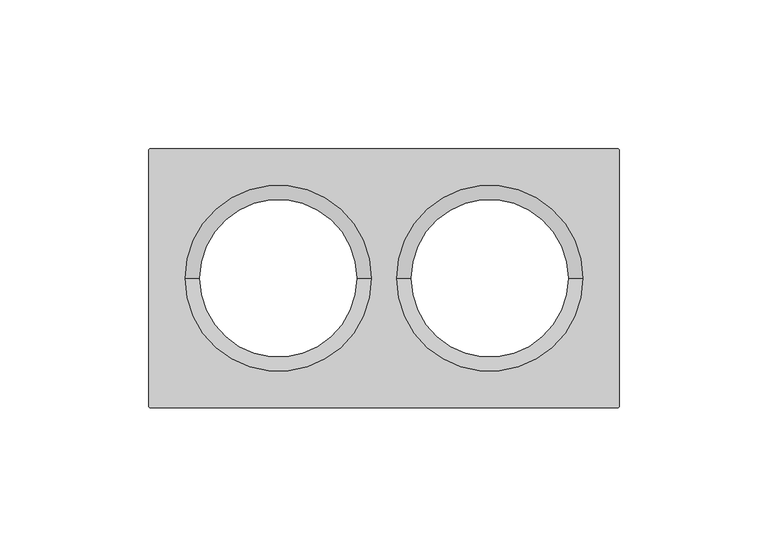
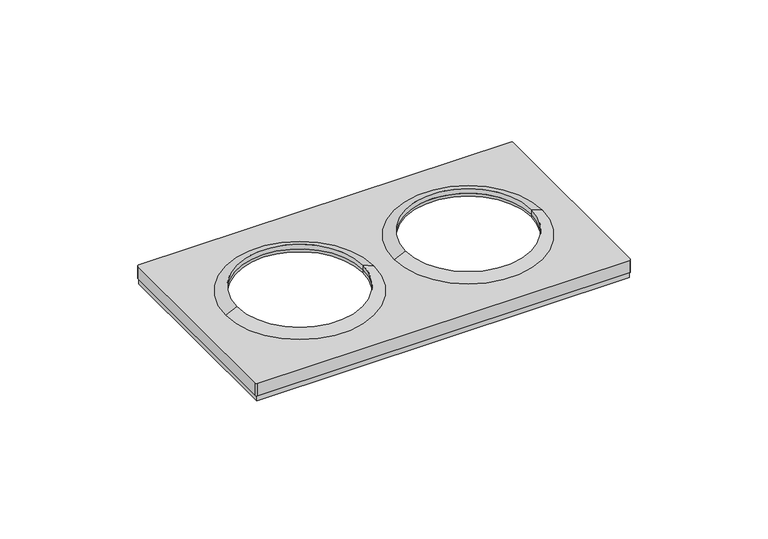
"""IFC4 building model written with IfcOpenShell, lengths in millimetres: proxy geometry."""

import ifcopenshell
import ifcopenshell.guid

model = None  # the IFC model being written
_history = None  # IfcOwnerHistory: only IFC2X3 demands one
_inside = {}  # id of a spatial element -> (the spatial element, [elements in it])
_under = {}  # id of a project, library or spatial element -> (it, [spatial elements below it])
_declared = {}  # id of a project -> (the project, [libraries it declares])
_typed = {}  # id of a type object -> (the type object, [elements of that type])
_made_of = {}  # id of a material, layer set ... -> (it, [elements and type objects made of it])


def new_model(schema):
    """Start an empty IFC model of exactly this schema.

    Asked for "IFC4X3", IfcOpenShell would pick the latest addendum, in which some entities
    have other attributes; the version numbers below select the first issue.
    IFC2X3 requires an IfcOwnerHistory on every rooted entity: one is made here for all.
    """
    global model, _history
    if schema == "IFC4X3":
        model = ifcopenshell.file(schema_version=(4, 3, 0, 0))
    else:
        model = ifcopenshell.file(schema=schema)
    _inside.clear()
    _under.clear()
    _declared.clear()
    _typed.clear()
    _made_of.clear()
    _history = None
    if model.schema == "IFC2X3":
        org = make("IfcOrganization", Name="unknown")
        user = make(
            "IfcPersonAndOrganization",
            ThePerson=make("IfcPerson", FamilyName="unknown"),
            TheOrganization=org,
        )
        app = make(
            "IfcApplication",
            ApplicationDeveloper=org,
            Version="unknown",
            ApplicationFullName="unknown",
            ApplicationIdentifier="unknown",
        )
        _history = make(
            "IfcOwnerHistory",
            OwningUser=user,
            OwningApplication=app,
            ChangeAction="ADDED",
            CreationDate=0,
        )
    return model


def make(cls, **values):
    """One entity of the class cls with the attributes given. An attribute that is None is left unset."""
    return model.create_entity(
        cls, **{name: value for name, value in values.items() if value is not None}
    )


def rooted(cls, **values):
    """An entity with a GlobalId (a new one), such as an element, a storey or a relation."""
    return make(cls, GlobalId=ifcopenshell.guid.new(), OwnerHistory=_history, **values)


def si_unit(unit_type, name, prefix=None):
    """IfcSIUnit, for example si_unit("LENGTHUNIT", "METRE", prefix="MILLI")."""
    return make("IfcSIUnit", UnitType=unit_type, Prefix=prefix, Name=name)


def assignment(units):
    """IfcUnitAssignment: the units of a project."""
    return None if units is None else make("IfcUnitAssignment", Units=units)


def point(xyz):
    """IfcCartesianPoint."""
    return None if xyz is None else make("IfcCartesianPoint", Coordinates=xyz)


def direction(xyz):
    """IfcDirection."""
    return None if xyz is None else make("IfcDirection", DirectionRatios=xyz)


def frame(location, z_axis=None, x_axis=None):
    """IfcAxis2Placement3D, a coordinate frame: its origin and axes. An axis left out is left unset."""
    return make(
        "IfcAxis2Placement3D",
        Location=point(location),
        Axis=direction(z_axis),
        RefDirection=direction(x_axis),
    )


def origin():
    """The frame at (0, 0, 0) with its axes left unset."""
    return frame((0.0, 0.0, 0.0))


def place(relative_to, where):
    """IfcLocalPlacement: puts the frame where relative to a parent placement (None: the world)."""
    return make(
        "IfcLocalPlacement", PlacementRelTo=relative_to, RelativePlacement=where
    )


def context(
    kind, dimensions, precision=None, world=None, true_north=None, identifier=None
):
    """IfcGeometricRepresentationContext, for example the 3D "Model" context."""
    return make(
        "IfcGeometricRepresentationContext",
        ContextIdentifier=identifier,
        ContextType=kind,
        CoordinateSpaceDimension=dimensions,
        Precision=precision,
        WorldCoordinateSystem=world,
        TrueNorth=true_north,
    )


def project(units=None, contexts=None):
    """IfcProject with its units and contexts."""
    return rooted(
        "IfcProject",
        Name="project",
        RepresentationContexts=contexts,
        UnitsInContext=assignment(units),
    )


def spatial(cls, under=None, at=None, **own):
    """A site, building, storey or space (cls), placed at a placement, below another one or the project."""
    s = rooted(cls, ObjectPlacement=at, **own)
    if under is not None:
        _under.setdefault(under.id(), (under, []))[1].append(s)
    return s


def polyline(points):
    """IfcPolyline through the points."""
    return make("IfcPolyline", Points=[point(p) for p in points])


def circle_curve(where, radius):
    """IfcCircle in the frame where."""
    return make("IfcCircle", Position=where, Radius=radius)


def shape(context_of_items, identifier, shape_type, items):
    """IfcShapeRepresentation: the items that make up one representation, for example the "Body"."""
    return make(
        "IfcShapeRepresentation",
        ContextOfItems=context_of_items,
        RepresentationIdentifier=identifier,
        RepresentationType=shape_type,
        Items=items,
    )


def source(mapping_origin, context_of_items, identifier, shape_type, items):
    """IfcRepresentationMap: a shape defined once, which mapped items show again and again."""
    return make(
        "IfcRepresentationMap",
        MappingOrigin=mapping_origin,
        MappedRepresentation=shape(context_of_items, identifier, shape_type, items),
    )


def transform(
    local_origin,
    x_axis=None,
    y_axis=None,
    z_axis=None,
    scale=None,
    scale2=None,
    scale3=None,
    uniform=True,
):
    """IfcCartesianTransformationOperator3D, or its non-uniform kind. x_axis, y_axis, z_axis: its Axis1, 2, 3."""
    if uniform:
        return make(
            "IfcCartesianTransformationOperator3D",
            Axis1=direction(x_axis),
            Axis2=direction(y_axis),
            LocalOrigin=point(local_origin),
            Scale=scale,
            Axis3=direction(z_axis),
        )
    return make(
        "IfcCartesianTransformationOperator3DnonUniform",
        Axis1=direction(x_axis),
        Axis2=direction(y_axis),
        LocalOrigin=point(local_origin),
        Scale=scale,
        Axis3=direction(z_axis),
        Scale2=scale2,
        Scale3=scale3,
    )


def mapped(mapping_source, mapping_target):
    """IfcMappedItem: shows the shape of a source again, moved by a transform."""
    return make(
        "IfcMappedItem", MappingSource=mapping_source, MappingTarget=mapping_target
    )


def made_of(thing, what):
    """Note that an element or type object is made of a material, layer set ...; save() writes the relation."""
    if what is not None:
        _made_of.setdefault(what.id(), (what, []))[1].append(thing)
    return thing


def element(
    cls,
    number,
    at=None,
    inside=None,
    cuts=None,
    type_object=None,
    material=None,
    context=None,
    identifier="Body",
    shape_type=None,
    held_by="IfcProductDefinitionShape",
    body=None,
    shapes=None,
    **own,
):
    """One element of the class cls, such as IfcWall. Its Tag is "e" and its number.

    at: its placement. inside: the storey or other place that contains it. cuts: it is an
    opening in that element (IfcRelVoidsElement). A single representation is given by context,
    identifier, shape_type and body (its items); several are given by shapes. held_by: the class
    of the entity that holds the representations. save() writes the other relations.
    """
    e = rooted(cls, Tag="e%d" % number, ObjectPlacement=at, **own)
    if body is not None:
        shapes = [shape(context, identifier, shape_type, body)]
    if shapes is not None:
        e.Representation = make(held_by, Representations=shapes)
    if inside is not None:
        _inside.setdefault(inside.id(), (inside, []))[1].append(e)
    if cuts is not None:
        rooted(
            "IfcRelVoidsElement", RelatingBuildingElement=cuts, RelatedOpeningElement=e
        )
    if type_object is not None:
        _typed.setdefault(type_object.id(), (type_object, []))[1].append(e)
    return made_of(e, material)


def aggregate(whole, parts):
    """IfcRelAggregates: a whole, such as a stair, and the parts it consists of."""
    return rooted("IfcRelAggregates", RelatingObject=whole, RelatedObjects=parts)


def save(model, path):
    """Write the relations noted so far, then the file.

    IfcRelAggregates (storeys below a building ...), IfcRelContainedInSpatialStructure (elements
    in a storey), IfcRelDefinesByType, IfcRelAssociatesMaterial and IfcRelDeclares: one each for
    every whole, place, type object, material and project.
    """
    for whole, parts in _under.values():
        aggregate(whole, parts)
    for where, things in _inside.values():
        rooted(
            "IfcRelContainedInSpatialStructure",
            RelatedElements=things,
            RelatingStructure=where,
        )
    for kind, things in _typed.values():
        rooted("IfcRelDefinesByType", RelatedObjects=things, RelatingType=kind)
    for what, things in _made_of.values():
        rooted("IfcRelAssociatesMaterial", RelatedObjects=things, RelatingMaterial=what)
    for by, libraries in _declared.values():
        rooted("IfcRelDeclares", RelatingContext=by, RelatedDefinitions=libraries)
    model.write(path)


def plane_surface(at):
    """IfcPlane: the flat surface through the origin of the frame at, square to its z axis."""
    return make("IfcPlane", Position=at)


def cylinder_surface(at, radius):
    """IfcCylindricalSurface: all points at the distance radius from the z axis of the frame at."""
    return make("IfcCylindricalSurface", Position=at, Radius=radius)


def revolved_surface(curve, axis_point, axis_direction):
    """IfcSurfaceOfRevolution: the curve turned about the line through axis_point along axis_direction."""
    return make(
        "IfcSurfaceOfRevolution",
        SweptCurve=make("IfcArbitraryOpenProfileDef", ProfileType="CURVE", Curve=curve),
        AxisPosition=make("IfcAxis1Placement", Location=point(axis_point), Axis=direction(axis_direction)),
    )


def advanced_brep(points, edges, surfaces, faces):
    """IfcAdvancedBrep: a solid bounded by faces that lie on surfaces and meet in shared edges.

    An edge is (start, end): straight between two places in points (the first is 0);
    or (start, end, curve); or (start, end, curve, False) where it runs against its curve.
    A face is (place in surfaces, loops), or (place, loops, False) where it looks against
    its surface's normal. A loop lists edges by number (the first is 1), with a minus sign
    where the edge is run from its end to its start. The first loop is the outer one.
    """
    corners = [point(p) for p in points]
    vertices = [make("IfcVertexPoint", VertexGeometry=c) for c in corners]
    made = []
    for start, end, *more in edges:
        made.append(
            make(
                "IfcEdgeCurve",
                EdgeStart=vertices[start],
                EdgeEnd=vertices[end],
                EdgeGeometry=more[0] if more else make("IfcPolyline", Points=[corners[start], corners[end]]),
                SameSense=more[1] if len(more) > 1 else True,
            )
        )
    hull = []
    for where, loops, *sense in faces:
        bounds = []
        for j, loop in enumerate(loops):
            ring = [make("IfcOrientedEdge", EdgeElement=made[abs(k) - 1], Orientation=k > 0) for k in loop]
            bounds.append(
                make(
                    "IfcFaceOuterBound" if j == 0 else "IfcFaceBound",
                    Bound=make("IfcEdgeLoop", EdgeList=ring),
                    Orientation=True,
                )
            )
        hull.append(make("IfcAdvancedFace", Bounds=bounds, FaceSurface=surfaces[where], SameSense=sense[0] if sense else True))
    return make("IfcAdvancedBrep", Outer=make("IfcClosedShell", CfsFaces=hull))


def electrical_fixtures_2ba08079(model_context):
    return source(origin(), model_context, "Body", "AdvancedBrep", [
        advanced_brep(
        [(66.7841563, 0.0, 8.0076008), (4.2158437, 0.0, 8.0076008), (9.0, 0.0, 10.1), (62.0, 0.0, 10.1), (62.0, 0.0, 8.0076008), (9.0, 0.0, 8.0076008)],
        [
            (0, 1, circle_curve(frame((35.5, 0.0, 8.0076008), z_axis=(0.0, 0.0, 1.0), x_axis=(-1.0, 0.0, 0.0)), 31.2841563)),
            (1, 2),
            (2, 3, circle_curve(frame((35.5, 0.0, 10.1), z_axis=(0.0, 0.0, -1.0), x_axis=(-1.0, 0.0, 0.0)), 26.5)),
            (3, 0),
            (1, 0, circle_curve(frame((35.5, 0.0, 8.0076008), z_axis=(0.0, 0.0, 1.0), x_axis=(-1.0, 0.0, 0.0)), 31.2841563)),
            (3, 2, circle_curve(frame((35.5, 0.0, 10.1), z_axis=(0.0, 0.0, -1.0), x_axis=(-1.0, 0.0, 0.0)), 26.5)),
            (4, 5, circle_curve(frame((35.5, 0.0, 8.0076008), z_axis=(0.0, 0.0, 1.0), x_axis=(-1.0, 0.0, 0.0)), 26.5)),
            (5, 1),
            (0, 4),
            (5, 4, circle_curve(frame((35.5, 0.0, 8.0076008), z_axis=(0.0, 0.0, 1.0), x_axis=(-1.0, 0.0, 0.0)), 26.5)),
            (2, 5),
            (4, 3),
        ],
        [
            revolved_surface(polyline([(9.0, 0.0, 10.1), (4.2158437, 0.0, 8.0076008)]), (35.5, 0.0, 2609.0581012), (0.0, 0.0, -1.0)),
            plane_surface(frame((35.5, 0.0, 8.0076008), z_axis=(0.0, 0.0, -1.0), x_axis=(-1.0, 0.0, 0.0))),
            revolved_surface(polyline([(9.0, 0.0, 8.007600800000091), (9.0, 0.0, 10.099999999999909)]), (35.5, 0.0, 2609.0581012), (0.0, 0.0, -1.0)),
        ],
        [
            (0, [[1, 2, 3, 4]]),
            (0, [[5, -4, 6, -2]]),
            (1, [[7, 8, -1, 9]]),
            (1, [[10, -9, -5, -8]]),
            (2, [[-3, 11, -7, 12]]),
            (2, [[-6, -12, -10, -11]]),
        ],
    ),
        advanced_brep(
        [(-78.5, -43.0, 0.0), (-78.5, 43.0, 0.0), (78.5, 43.0, 0.0), (78.5, -43.0, 0.0), (-78.0, -42.5, 0.0), (78.0, -42.5, 0.0), (78.0, 42.5, 0.0), (-78.0, 42.5, 0.0), (78.5, -43.0, 2.5), (-78.5, -43.0, 2.5), (78.5, 43.0, 2.5), (-78.5, 43.0, 2.5), (-9.0, 0.0, 6.7956384), (-9.0, 0.0, 8.0076008), (-62.0, 0.0, 8.0076008), (-62.0, 0.0, 6.7956384), (-79.0, -42.9369707, 8.0076008), (-78.4369707, -43.5, 8.0076008), (78.4369707, -43.5, 8.0076008), (79.0, -42.9369707, 8.0076008), (79.0, 42.9369707, 8.0076008), (78.4369707, 43.5, 8.0076008), (-78.4369707, 43.5, 8.0076008), (-79.0, 42.9369707, 8.0076008), (-66.7841563, 0.0, 8.0076008), (-4.2158437, 0.0, 8.0076008), (9.0, 0.0, 8.0076008), (62.0, 0.0, 8.0076008), (-79.0, -42.9369707, 2.5), (-79.0, 42.9369707, 2.5), (-78.4369707, 43.5, 2.5), (78.4369707, 43.5, 2.5), (79.0, 42.9369707, 2.5), (79.0, -42.9369707, 2.5), (78.4369707, -43.5, 2.5), (-78.4369707, -43.5, 2.5), (-62.0, 0.0, 10.1), (-9.0, 0.0, 10.1), (78.0, 42.5, 6.7956384), (78.0, -42.5, 6.7956384), (-78.0, -42.5, 6.7956384), (-78.0, 42.5, 6.7956384), (62.0, 0.0, 6.7956384), (9.0, 0.0, 6.7956384)],
        [
            (0, 1),
            (1, 2),
            (2, 3),
            (3, 0),
            (4, 5),
            (5, 6),
            (6, 7),
            (7, 4),
            (3, 8),
            (8, 9),
            (9, 0),
            (2, 10),
            (10, 8),
            (1, 11),
            (11, 10),
            (9, 11),
            (12, 13),
            (13, 14, circle_curve(frame((-35.5, 0.0, 8.0076008), z_axis=(0.0, 0.0, 1.0), x_axis=(-1.0, 0.0, 0.0)), 26.5)),
            (14, 15),
            (15, 12, circle_curve(frame((-35.5, 0.0, 6.7956384), z_axis=(0.0, 0.0, -1.0), x_axis=(-1.0, 0.0, 0.0)), 26.5)),
            (12, 15, circle_curve(frame((-35.5, 0.0, 6.7956384), z_axis=(0.0, 0.0, -1.0), x_axis=(-1.0, 0.0, 0.0)), 26.5)),
            (14, 13, circle_curve(frame((-35.5, 0.0, 8.0076008), z_axis=(0.0, 0.0, 1.0), x_axis=(-1.0, 0.0, 0.0)), 26.5)),
            (16, 17, circle_curve(frame((-78.4369707, -42.9369707, 8.0076008), z_axis=(0.0, 0.0, 1.0), x_axis=(1.0, 0.0, 0.0)), 0.5630293)),
            (17, 18),
            (18, 19, circle_curve(frame((78.4369707, -42.9369707, 8.0076008), z_axis=(0.0, 0.0, 1.0), x_axis=(-1.0, 0.0, 0.0)), 0.5630293)),
            (19, 20),
            (20, 21, circle_curve(frame((78.4369707, 42.9369707, 8.0076008), z_axis=(0.0, 0.0, 1.0), x_axis=(-1.0, 0.0, 0.0)), 0.5630293)),
            (21, 22),
            (22, 23, circle_curve(frame((-78.4369707, 42.9369707, 8.0076008), z_axis=(0.0, 0.0, 1.0), x_axis=(1.0, 0.0, 0.0)), 0.5630293)),
            (23, 16),
            (24, 25, circle_curve(frame((-35.5, 0.0, 8.0076008), z_axis=(0.0, 0.0, -1.0), x_axis=(-1.0, 0.0, 0.0)), 31.2841563)),
            (25, 24, circle_curve(frame((-35.5, 0.0, 8.0076008), z_axis=(0.0, 0.0, -1.0), x_axis=(-1.0, 0.0, 0.0)), 31.2841563)),
            (26, 27, circle_curve(frame((35.5, 0.0, 8.0076008), z_axis=(0.0, 0.0, -1.0), x_axis=(-1.0, 0.0, 0.0)), 26.5)),
            (27, 26, circle_curve(frame((35.5, 0.0, 8.0076008), z_axis=(0.0, 0.0, -1.0), x_axis=(-1.0, 0.0, 0.0)), 26.5)),
            (28, 29),
            (29, 30, circle_curve(frame((-78.4369707, 42.9369707, 2.5), z_axis=(0.0, 0.0, -1.0), x_axis=(1.0, 0.0, 0.0)), 0.5630293)),
            (30, 31),
            (31, 32, circle_curve(frame((78.4369707, 42.9369707, 2.5), z_axis=(0.0, 0.0, -1.0), x_axis=(-1.0, 0.0, 0.0)), 0.5630293)),
            (32, 33),
            (33, 34, circle_curve(frame((78.4369707, -42.9369707, 2.5), z_axis=(0.0, 0.0, -1.0), x_axis=(-1.0, 0.0, 0.0)), 0.5630293)),
            (34, 35),
            (35, 28, circle_curve(frame((-78.4369707, -42.9369707, 2.5), z_axis=(0.0, 0.0, -1.0), x_axis=(1.0, 0.0, 0.0)), 0.5630293)),
            (16, 28),
            (35, 17),
            (34, 18),
            (33, 19),
            (32, 20),
            (31, 21),
            (30, 22),
            (29, 23),
            (24, 36),
            (36, 37, circle_curve(frame((-35.5, 0.0, 10.1), z_axis=(0.0, 0.0, -1.0), x_axis=(-1.0, 0.0, 0.0)), 26.5)),
            (37, 25),
            (37, 36, circle_curve(frame((-35.5, 0.0, 10.1), z_axis=(0.0, 0.0, -1.0), x_axis=(-1.0, 0.0, 0.0)), 26.5)),
            (36, 14),
            (13, 37),
            (38, 39),
            (39, 40),
            (40, 41),
            (41, 38),
            (42, 43, circle_curve(frame((35.5, 0.0, 6.7956384), z_axis=(0.0, 0.0, 1.0), x_axis=(-1.0, 0.0, 0.0)), 26.5)),
            (43, 42, circle_curve(frame((35.5, 0.0, 6.7956384), z_axis=(0.0, 0.0, 1.0), x_axis=(-1.0, 0.0, 0.0)), 26.5)),
            (41, 7),
            (6, 38),
            (40, 4),
            (39, 5),
            (42, 27),
            (26, 43),
        ],
        [
            plane_surface(frame((-43.0003046, -43.0, 0.0), z_axis=(0.0, 0.0, -1.0), x_axis=(-1.0, 0.0, 0.0))),
            plane_surface(frame((-78.5, -43.0, 2.5), z_axis=(0.0, -1.0, 0.0), x_axis=(0.0, 0.0, -1.0))),
            plane_surface(frame((78.5, -43.0, 2.5), z_axis=(1.0, 0.0, 0.0), x_axis=(0.0, 0.0, -1.0))),
            plane_surface(frame((78.5, 43.0, 2.5), z_axis=(0.0, 1.0, 0.0), x_axis=(0.0, 0.0, -1.0))),
            plane_surface(frame((-78.5, 43.0, 2.5), z_axis=(-1.0, 0.0, 0.0), x_axis=(0.0, 0.0, -1.0))),
            revolved_surface(polyline([(-62.0, 0.0, 8.0076008), (-62.0, 0.0, 6.7956384)]), (-35.5, 0.0, 0.0), (0.0, 0.0, 1.0)),
            plane_surface(frame((-77.8739414, -42.9369707, 8.0076008), z_axis=(0.0, 0.0, 1.0), x_axis=(0.0, 1.0, 0.0))),
            plane_surface(frame((-77.8739414, -42.9369707, 2.5), z_axis=(0.0, 0.0, -1.0), x_axis=(0.0, -1.0, 0.0))),
            cylinder_surface(frame((-78.4369707, -42.9369707, 2.5), z_axis=(0.0, 0.0, 1.0), x_axis=(1.0, 0.0, 0.0)), 0.5630293),
            plane_surface(frame((-78.4369707, -43.5, 8.0076008), z_axis=(0.0, -1.0, 0.0), x_axis=(0.0, 0.0, -1.0))),
            cylinder_surface(frame((78.4369707, -42.9369707, 2.5), z_axis=(0.0, 0.0, 1.0), x_axis=(-1.0, 0.0, 0.0)), 0.5630293),
            plane_surface(frame((79.0, -42.9369707, 8.0076008), z_axis=(1.0, 0.0, 0.0), x_axis=(0.0, 0.0, -1.0))),
            cylinder_surface(frame((78.4369707, 42.9369707, 2.5), z_axis=(0.0, 0.0, 1.0), x_axis=(-1.0, 0.0, 0.0)), 0.5630293),
            plane_surface(frame((78.4369707, 43.5, 8.0076008), z_axis=(0.0, 1.0, 0.0), x_axis=(0.0, 0.0, -1.0))),
            cylinder_surface(frame((-78.4369707, 42.9369707, 2.5), z_axis=(0.0, 0.0, 1.0), x_axis=(1.0, 0.0, 0.0)), 0.5630293),
            plane_surface(frame((-79.0, 42.9369707, 8.0076008), z_axis=(-1.0, 0.0, 0.0), x_axis=(0.0, 0.0, -1.0))),
            revolved_surface(polyline([(-62.0, 0.0, 10.1), (-66.7841563, 0.0, 8.0076008)]), (-35.5, 0.0, 2609.0581012), (0.0, 0.0, -1.0)),
            revolved_surface(polyline([(-62.0, 0.0, 8.007600800000091), (-62.0, 0.0, 10.099999999999909)]), (-35.5, 0.0, 2609.0581012), (0.0, 0.0, -1.0)),
            plane_surface(frame((-42.5, 42.5, 6.7956384), z_axis=(0.0, 0.0, -1.0), x_axis=(-1.0, 0.0, 0.0))),
            plane_surface(frame((78.0, 42.5, 6.7956384), z_axis=(0.0, -1.0, 0.0), x_axis=(0.0, 0.0, -1.0))),
            plane_surface(frame((-78.0, 42.5, 6.7956384), z_axis=(1.0, 0.0, 0.0), x_axis=(0.0, 0.0, -1.0))),
            plane_surface(frame((-78.0, -42.5, 6.7956384), z_axis=(0.0, 1.0, 0.0), x_axis=(0.0, 0.0, -1.0))),
            plane_surface(frame((78.0, -42.5, 6.7956384), z_axis=(-1.0, 0.0, 0.0), x_axis=(0.0, 0.0, -1.0))),
            revolved_surface(polyline([(9.0, 0.0, 8.0076008), (9.0, 0.0, 6.7956384)]), (35.5, 0.0, 0.0), (0.0, 0.0, 1.0)),
        ],
        [
            (0, [[1, 2, 3, 4], [5, 6, 7, 8]]),
            (1, [[-4, 9, 10, 11]]),
            (2, [[-3, 12, 13, -9]]),
            (3, [[-2, 14, 15, -12]]),
            (4, [[-1, -11, 16, -14]]),
            (5, [[17, 18, 19, 20]]),
            (5, [[-17, 21, -19, 22]]),
            (6, [[23, 24, 25, 26, 27, 28, 29, 30], [31, 32], [33, 34]]),
            (7, [[35, 36, 37, 38, 39, 40, 41, 42], [-10, -13, -15, -16]]),
            (8, [[-23, 43, -42, 44]]),
            (9, [[-24, -44, -41, 45]]),
            (10, [[-25, -45, -40, 46]]),
            (11, [[-26, -46, -39, 47]]),
            (12, [[-27, -47, -38, 48]]),
            (13, [[-28, -48, -37, 49]]),
            (14, [[-29, -49, -36, 50]]),
            (15, [[-30, -50, -35, -43]]),
            (16, [[51, 52, 53, -31]]),
            (16, [[-51, -32, -53, 54]]),
            (17, [[-52, 55, -18, 56]]),
            (17, [[-54, -56, -22, -55]]),
            (18, [[57, 58, 59, 60], [-20, -21], [61, 62]]),
            (19, [[-60, 63, -7, 64]]),
            (20, [[-59, 65, -8, -63]]),
            (21, [[-58, 66, -5, -65]]),
            (22, [[-57, -64, -6, -66]]),
            (23, [[67, -33, 68, -61]]),
            (23, [[-67, -62, -68, -34]]),
        ],
    ),
    ])


if __name__ == "__main__":
    model = new_model("IFC4")
    model_context = context("Model", 3, world=origin())
    ifc_project = project(units=[si_unit("LENGTHUNIT", "METRE", prefix="MILLI")], contexts=[model_context])
    site = spatial("IfcSite", under=ifc_project)
    building = spatial("IfcBuilding", under=site)
    placement = place(None, origin())
    electrical_fixtures_shape = electrical_fixtures_2ba08079(model_context)
    element("IfcBuildingElementProxy", 1, Name="Electrical Fixtures", at=placement, inside=building, context=model_context, shape_type="MappedRepresentation", body=[
        mapped(electrical_fixtures_shape, transform((0.0, 0.0, 0.0), x_axis=(1.0, 0.0, 0.0), y_axis=(0.0, 1.0, 0.0), z_axis=(0.0, 0.0, 1.0))),
    ])
    save(model, "model.ifc")
